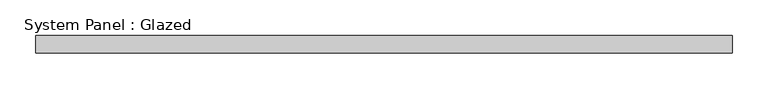
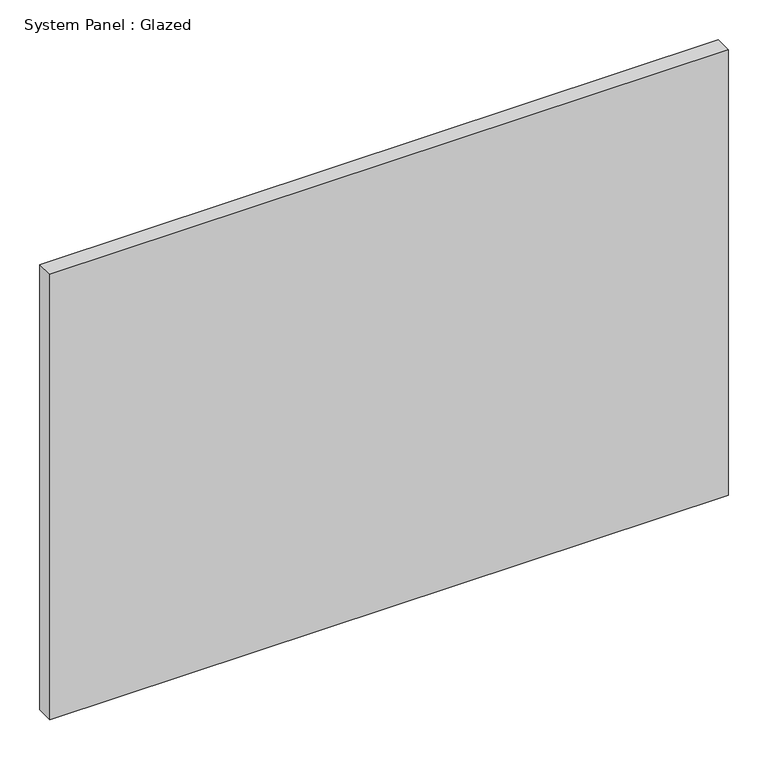
"""IFC4 building model written with IfcOpenShell, lengths in millimetres: plate geometry, System Panel : Glazed."""

import ifcopenshell
import ifcopenshell.guid

model = None  # the IFC model being written
_history = None  # IfcOwnerHistory: only IFC2X3 demands one
_inside = {}  # id of a spatial element -> (the spatial element, [elements in it])
_under = {}  # id of a project, library or spatial element -> (it, [spatial elements below it])
_declared = {}  # id of a project -> (the project, [libraries it declares])
_typed = {}  # id of a type object -> (the type object, [elements of that type])
_made_of = {}  # id of a material, layer set ... -> (it, [elements and type objects made of it])


def new_model(schema):
    """Start an empty IFC model of exactly this schema.

    Asked for "IFC4X3", IfcOpenShell would pick the latest addendum, in which some entities
    have other attributes; the version numbers below select the first issue.
    IFC2X3 requires an IfcOwnerHistory on every rooted entity: one is made here for all.
    """
    global model, _history
    if schema == "IFC4X3":
        model = ifcopenshell.file(schema_version=(4, 3, 0, 0))
    else:
        model = ifcopenshell.file(schema=schema)
    _inside.clear()
    _under.clear()
    _declared.clear()
    _typed.clear()
    _made_of.clear()
    _history = None
    if model.schema == "IFC2X3":
        org = make("IfcOrganization", Name="unknown")
        user = make(
            "IfcPersonAndOrganization",
            ThePerson=make("IfcPerson", FamilyName="unknown"),
            TheOrganization=org,
        )
        app = make(
            "IfcApplication",
            ApplicationDeveloper=org,
            Version="unknown",
            ApplicationFullName="unknown",
            ApplicationIdentifier="unknown",
        )
        _history = make(
            "IfcOwnerHistory",
            OwningUser=user,
            OwningApplication=app,
            ChangeAction="ADDED",
            CreationDate=0,
        )
    return model


def make(cls, **values):
    """One entity of the class cls with the attributes given. An attribute that is None is left unset."""
    return model.create_entity(
        cls, **{name: value for name, value in values.items() if value is not None}
    )


def rooted(cls, **values):
    """An entity with a GlobalId (a new one), such as an element, a storey or a relation."""
    return make(cls, GlobalId=ifcopenshell.guid.new(), OwnerHistory=_history, **values)


def si_unit(unit_type, name, prefix=None):
    """IfcSIUnit, for example si_unit("LENGTHUNIT", "METRE", prefix="MILLI")."""
    return make("IfcSIUnit", UnitType=unit_type, Prefix=prefix, Name=name)


def assignment(units):
    """IfcUnitAssignment: the units of a project."""
    return None if units is None else make("IfcUnitAssignment", Units=units)


def point(xyz):
    """IfcCartesianPoint."""
    return None if xyz is None else make("IfcCartesianPoint", Coordinates=xyz)


def direction(xyz):
    """IfcDirection."""
    return None if xyz is None else make("IfcDirection", DirectionRatios=xyz)


def frame(location, z_axis=None, x_axis=None):
    """IfcAxis2Placement3D, a coordinate frame: its origin and axes. An axis left out is left unset."""
    return make(
        "IfcAxis2Placement3D",
        Location=point(location),
        Axis=direction(z_axis),
        RefDirection=direction(x_axis),
    )


def origin():
    """The frame at (0, 0, 0) with its axes left unset."""
    return frame((0.0, 0.0, 0.0))


def origin_with_axes():
    """The frame at (0, 0, 0) with the z axis (0, 0, 1) and the x axis (1, 0, 0) written out."""
    return frame((0.0, 0.0, 0.0), z_axis=(0.0, 0.0, 1.0), x_axis=(1.0, 0.0, 0.0))


def place(relative_to, where):
    """IfcLocalPlacement: puts the frame where relative to a parent placement (None: the world)."""
    return make(
        "IfcLocalPlacement", PlacementRelTo=relative_to, RelativePlacement=where
    )


def context(
    kind, dimensions, precision=None, world=None, true_north=None, identifier=None
):
    """IfcGeometricRepresentationContext, for example the 3D "Model" context."""
    return make(
        "IfcGeometricRepresentationContext",
        ContextIdentifier=identifier,
        ContextType=kind,
        CoordinateSpaceDimension=dimensions,
        Precision=precision,
        WorldCoordinateSystem=world,
        TrueNorth=true_north,
    )


def project(units=None, contexts=None):
    """IfcProject with its units and contexts."""
    return rooted(
        "IfcProject",
        Name="project",
        RepresentationContexts=contexts,
        UnitsInContext=assignment(units),
    )


def spatial(cls, under=None, at=None, **own):
    """A site, building, storey or space (cls), placed at a placement, below another one or the project."""
    s = rooted(cls, ObjectPlacement=at, **own)
    if under is not None:
        _under.setdefault(under.id(), (under, []))[1].append(s)
    return s


def polyline(points):
    """IfcPolyline through the points."""
    return make("IfcPolyline", Points=[point(p) for p in points])


def outline(outer, holes=None, kind="AREA"):
    """IfcArbitraryClosedProfileDef: a profile drawn as a closed curve; with holes, ...WithVoids."""
    if holes is None:
        return make("IfcArbitraryClosedProfileDef", ProfileType=kind, OuterCurve=outer)
    return make(
        "IfcArbitraryProfileDefWithVoids",
        ProfileType=kind,
        OuterCurve=outer,
        InnerCurves=holes,
    )


def extrude(swept, where, along, depth):
    """IfcExtrudedAreaSolid: the profile swept, set in the frame where, extruded along a direction by depth."""
    return make(
        "IfcExtrudedAreaSolid",
        SweptArea=swept,
        Position=where,
        ExtrudedDirection=direction(along),
        Depth=depth,
    )


def shape(context_of_items, identifier, shape_type, items):
    """IfcShapeRepresentation: the items that make up one representation, for example the "Body"."""
    return make(
        "IfcShapeRepresentation",
        ContextOfItems=context_of_items,
        RepresentationIdentifier=identifier,
        RepresentationType=shape_type,
        Items=items,
    )


def source(mapping_origin, context_of_items, identifier, shape_type, items):
    """IfcRepresentationMap: a shape defined once, which mapped items show again and again."""
    return make(
        "IfcRepresentationMap",
        MappingOrigin=mapping_origin,
        MappedRepresentation=shape(context_of_items, identifier, shape_type, items),
    )


def transform(
    local_origin,
    x_axis=None,
    y_axis=None,
    z_axis=None,
    scale=None,
    scale2=None,
    scale3=None,
    uniform=True,
):
    """IfcCartesianTransformationOperator3D, or its non-uniform kind. x_axis, y_axis, z_axis: its Axis1, 2, 3."""
    if uniform:
        return make(
            "IfcCartesianTransformationOperator3D",
            Axis1=direction(x_axis),
            Axis2=direction(y_axis),
            LocalOrigin=point(local_origin),
            Scale=scale,
            Axis3=direction(z_axis),
        )
    return make(
        "IfcCartesianTransformationOperator3DnonUniform",
        Axis1=direction(x_axis),
        Axis2=direction(y_axis),
        LocalOrigin=point(local_origin),
        Scale=scale,
        Axis3=direction(z_axis),
        Scale2=scale2,
        Scale3=scale3,
    )


def mapped(mapping_source, mapping_target):
    """IfcMappedItem: shows the shape of a source again, moved by a transform."""
    return make(
        "IfcMappedItem", MappingSource=mapping_source, MappingTarget=mapping_target
    )


def made_of(thing, what):
    """Note that an element or type object is made of a material, layer set ...; save() writes the relation."""
    if what is not None:
        _made_of.setdefault(what.id(), (what, []))[1].append(thing)
    return thing


def element(
    cls,
    number,
    at=None,
    inside=None,
    cuts=None,
    type_object=None,
    material=None,
    context=None,
    identifier="Body",
    shape_type=None,
    held_by="IfcProductDefinitionShape",
    body=None,
    shapes=None,
    **own,
):
    """One element of the class cls, such as IfcWall. Its Tag is "e" and its number.

    at: its placement. inside: the storey or other place that contains it. cuts: it is an
    opening in that element (IfcRelVoidsElement). A single representation is given by context,
    identifier, shape_type and body (its items); several are given by shapes. held_by: the class
    of the entity that holds the representations. save() writes the other relations.
    """
    e = rooted(cls, Tag="e%d" % number, ObjectPlacement=at, **own)
    if body is not None:
        shapes = [shape(context, identifier, shape_type, body)]
    if shapes is not None:
        e.Representation = make(held_by, Representations=shapes)
    if inside is not None:
        _inside.setdefault(inside.id(), (inside, []))[1].append(e)
    if cuts is not None:
        rooted(
            "IfcRelVoidsElement", RelatingBuildingElement=cuts, RelatedOpeningElement=e
        )
    if type_object is not None:
        _typed.setdefault(type_object.id(), (type_object, []))[1].append(e)
    return made_of(e, material)


def aggregate(whole, parts):
    """IfcRelAggregates: a whole, such as a stair, and the parts it consists of."""
    return rooted("IfcRelAggregates", RelatingObject=whole, RelatedObjects=parts)


def save(model, path):
    """Write the relations noted so far, then the file.

    IfcRelAggregates (storeys below a building ...), IfcRelContainedInSpatialStructure (elements
    in a storey), IfcRelDefinesByType, IfcRelAssociatesMaterial and IfcRelDeclares: one each for
    every whole, place, type object, material and project.
    """
    for whole, parts in _under.values():
        aggregate(whole, parts)
    for where, things in _inside.values():
        rooted(
            "IfcRelContainedInSpatialStructure",
            RelatedElements=things,
            RelatingStructure=where,
        )
    for kind, things in _typed.values():
        rooted("IfcRelDefinesByType", RelatedObjects=things, RelatingType=kind)
    for what, things in _made_of.values():
        rooted("IfcRelAssociatesMaterial", RelatedObjects=things, RelatingMaterial=what)
    for by, libraries in _declared.values():
        rooted("IfcRelDeclares", RelatingContext=by, RelatedDefinitions=libraries)
    model.write(path)


def system_panel_glazed_ad449d7a(model_context):
    return source(origin(), model_context, "Body", "SweptSolid", [
        extrude(outline(polyline([(489.8085781, 24.5), (-489.8085781, 24.5), (-489.8085781, 49.5), (489.8085781, 49.5), (489.8085781, 24.5)])), origin_with_axes(), (0.0, 0.0, 1.0), 680.0),
    ])


if __name__ == "__main__":
    model = new_model("IFC4")
    model_context = context("Model", 3, world=origin())
    ifc_project = project(units=[si_unit("LENGTHUNIT", "METRE", prefix="MILLI")], contexts=[model_context])
    site = spatial("IfcSite", under=ifc_project)
    building = spatial("IfcBuilding", under=site)
    placement = place(None, origin())
    system_panel_glazed_shape = system_panel_glazed_ad449d7a(model_context)
    element("IfcPlate", 1, ObjectType="System Panel : Glazed", at=placement, inside=building, context=model_context, shape_type="MappedRepresentation", body=[
        mapped(system_panel_glazed_shape, transform((0.0, 0.0, 0.0), x_axis=(1.0, 0.0, 0.0), y_axis=(0.0, 1.0, 0.0), z_axis=(0.0, 0.0, 1.0))),
    ])
    save(model, "model.ifc")
